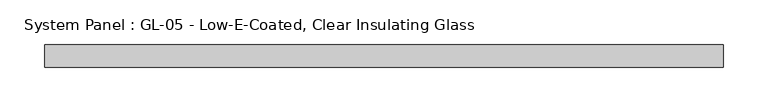
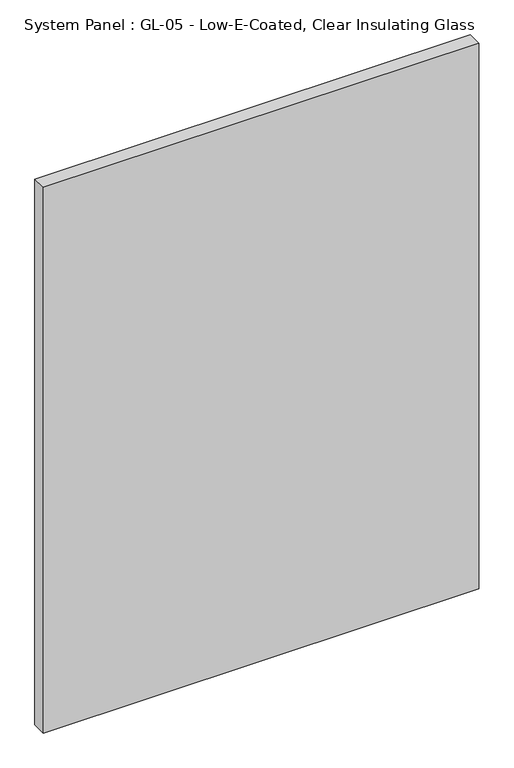
"""IFC4 building model written with IfcOpenShell, lengths in millimetres: plate geometry, System Panel : GL-05 - Low-E-Coated, Clear Insulating Glass."""

from ifc_helpers import new_model, si_unit, origin, origin_with_axes, place, context, project, spatial, polyline, outline, extrude, source, transform, mapped, element, save


def system_panel_gl_05_low_e_coated_clear_insulating_glass_6dc8a13a(model_context):
    return source(origin(), model_context, "Body", "SweptSolid", [
        extrude(outline(polyline([(381.0, -12.7), (-381.0, -12.7), (-381.0, 12.7), (381.0, 12.7), (381.0, -12.7)])), origin_with_axes(), (0.0, 0.0, 1.0), 1009.65),
    ])


if __name__ == "__main__":
    model = new_model("IFC4")
    model_context = context("Model", 3, world=origin())
    ifc_project = project(units=[si_unit("LENGTHUNIT", "METRE", prefix="MILLI")], contexts=[model_context])
    site = spatial("IfcSite", under=ifc_project)
    building = spatial("IfcBuilding", under=site)
    placement = place(None, origin())
    system_panel_gl_05_low_e_coated_clear_insulating_glass_shape = system_panel_gl_05_low_e_coated_clear_insulating_glass_6dc8a13a(model_context)
    element("IfcPlate", 1, ObjectType="System Panel : GL-05 - Low-E-Coated, Clear Insulating Glass", at=placement, inside=building, context=model_context, shape_type="MappedRepresentation", body=[
        mapped(system_panel_gl_05_low_e_coated_clear_insulating_glass_shape, transform((0.0, 0.0, 0.0), x_axis=(1.0, 0.0, 0.0), y_axis=(0.0, 1.0, 0.0), z_axis=(0.0, 0.0, 1.0))),
    ])
    save(model, "model.ifc")
